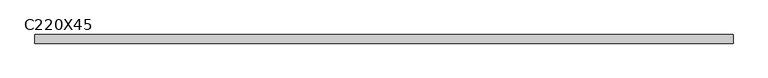
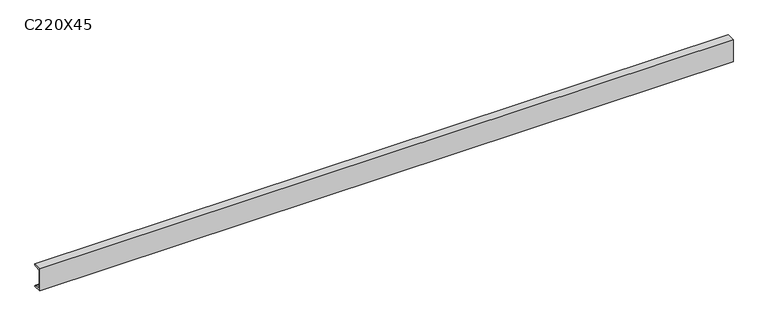
"""IFC4 building model written with IfcOpenShell, lengths in millimetres: beam geometry, C220X45."""

from ifc_helpers import new_model, si_unit, point, frame, frame_2d, origin, place, context, project, spatial, polyline, circle_curve, trimmed, segment, composite_curve, outline, extrude, source, transform, mapped, element, save


def c220x45_8b890daa(model_context):
    return source(origin(), model_context, "Body", "SweptSolid", [
        extrude(outline(composite_curve([segment(polyline([(-17.0, 110.0), (64.0, 110.0)]), True, "CONTINUOUS"), segment(trimmed(circle_curve(frame_2d((51.0, 110.0)), 13.0), [point((64.0, 110.0))], [point((51.0, 97.0))], False, "CARTESIAN"), True, "CONTINUOUS"), segment(polyline([(51.0, 97.0), (-4.0, 88.2888558), (-4.0, -88.2888558), (51.0, -97.0)]), True, "CONTINUOUS"), segment(trimmed(circle_curve(frame_2d((51.0, -110.0)), 13.0), [point((51.0, -97.0))], [point((64.0, -110.0))], False, "CARTESIAN"), True, "CONTINUOUS"), segment(polyline([(64.0, -110.0), (-17.0, -110.0), (-17.0, 110.0)]), True, "CONTINUOUS")], self_intersect=False)), frame((-3270.0, 0.0, 0.0), z_axis=(1.0, 0.0, 0.0), x_axis=(0.0, 1.0, 0.0)), (0.0, 0.0, 1.0), 6540.0),
    ])


if __name__ == "__main__":
    model = new_model("IFC4")
    model_context = context("Model", 3, world=origin())
    ifc_project = project(units=[si_unit("LENGTHUNIT", "METRE", prefix="MILLI")], contexts=[model_context])
    site = spatial("IfcSite", under=ifc_project)
    building = spatial("IfcBuilding", under=site)
    placement = place(None, origin())
    c220x45_shape = c220x45_8b890daa(model_context)
    element("IfcBeam", 1, ObjectType="C220X45", at=placement, inside=building, context=model_context, shape_type="MappedRepresentation", body=[
        mapped(c220x45_shape, transform((0.0, 0.0, 0.0), x_axis=(1.0, 0.0, 0.0), y_axis=(0.0, 1.0, 0.0), z_axis=(0.0, 0.0, 1.0))),
    ])
    save(model, "model.ifc")
